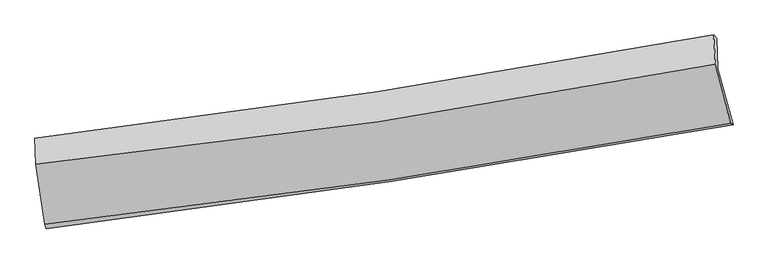
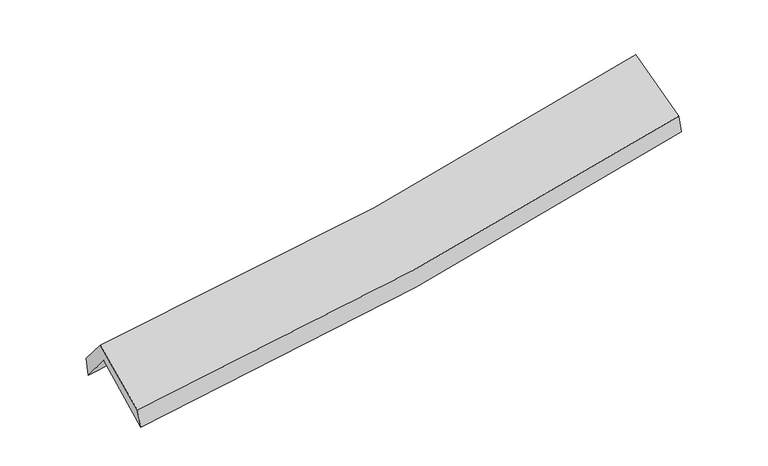
"""IFC4 building model written with IfcOpenShell, lengths in millimetres: proxy geometry."""

from ifc_helpers import new_model, si_unit, frame, origin, place, context, project, spatial, source, transform, mapped, element, save
from ifc_brep_helpers import plane_surface, spline_curve, spline_surface, advanced_brep


def generic_models_9ef300d3(model_context):
    return source(origin(), model_context, "Body", "AdvancedBrep", [
        advanced_brep(
        [(-2928.7517721, -2526.1566496, 1465.071295), (-3005.3692766, -2008.074786, 1894.2918224), (2927.2987449, -1129.6588099, 2416.3573349), (3061.5530656, -1618.1131638, 1980.2488233), (-3014.1307176, -1753.6292584, 1585.6045988), (2917.8689795, -863.4408741, 2095.6915389), (-3025.6000765, -1734.7183271, 1757.3415676), (2893.1187145, -836.0170692, 2270.9533579), (-3017.6613498, -1965.270985, 2037.0425336), (2906.5987834, -1092.4462692, 2541.3119665), (-2941.8074082, -2487.0899776, 1628.4122437), (3040.7609296, -1606.0422978, 2144.0955002)],
        [
            (0, 1),
            (1, 2, spline_curve(3, [(-3005.3692766, -2008.074786, 1894.2918224), (-2003.744858722, -1896.900292262, 1937.4527837), (-1006.607620445, -1767.751693523, 2002.797966438), (970.878015887, -1474.664485219, 2177.167712583), (1951.296784178, -1311.007759057, 2285.844367514), (2927.2987449, -1129.6588099, 2416.3573349)], [4, 2, 4], [0.0, 9.968657853462073, 19.85883900290208])),
            (2, 3),
            (3, 0, spline_curve(3, [(3061.5530656, -1618.1131638, 1980.2488233), (2075.827661633, -1795.033193904, 1848.923366983), (1085.762776991, -1958.91619461, 1740.408333513), (-910.936362864, -2261.805069841, 1568.31906192), (-1917.639757546, -2400.603231523, 1505.108252715), (-2928.7517721, -2526.1566496, 1465.071295)], [4, 2, 4], [0.0, 9.890181149440007, 19.85883900290208])),
            (1, 4),
            (4, 5, spline_curve(3, [(-3014.1307176, -1753.6292584, 1585.6045988), (-2013.803822143, -1633.57396022, 1629.653609423), (-1017.368915609, -1499.013703157, 1694.434942609), (959.903279711, -1202.0567649, 1864.789061872), (1940.801605528, -1039.887560255, 1970.036708632), (2917.8689795, -863.4408741, 2095.6915389)], [4, 2, 4], [0.0, 9.918641360796741, 19.75919976460826])),
            (5, 2),
            (4, 6),
            (6, 7, spline_curve(3, [(-3025.6000765, -1734.7183271, 1757.3415676), (-2027.335610848, -1616.034570417, 1804.647692073), (-1033.043351117, -1481.442350526, 1871.3472103), (939.80061776, -1181.62577643, 2042.855281677), (1918.414621369, -1016.650910701, 2147.359693233), (2893.1187145, -836.0170692, 2270.9533579)], [4, 2, 4], [0.0, 9.90870650620948, 19.73940826602682])),
            (7, 5),
            (6, 8),
            (8, 9, spline_curve(3, [(-3017.6613498, -1965.270985, 2037.0425336), (-2017.245186078, -1862.823219962, 2083.269996809), (-1021.415893008, -1738.490370791, 2148.647620931), (953.265550453, -1447.205581285, 2317.037758469), (1932.189634978, -1280.596858835, 2419.749945524), (2906.5987834, -1092.4462692, 2541.3119665)], [4, 2, 4], [0.0, 9.900430967409015, 19.722922336314266])),
            (9, 7),
            (8, 10),
            (10, 11, spline_curve(3, [(-2941.8074082, -2487.0899776, 1628.4122437), (-1932.128522436, -2375.618098848, 1680.392822223), (-926.788674375, -2246.100349612, 1749.59432067), (1067.332723434, -1952.13478117, 1921.758810521), (2056.182321404, -1787.969970886, 2024.451730726), (3040.7609296, -1606.0422978, 2144.0955002)], [4, 2, 4], [0.0, 9.950261914294316, 19.822191943728235])),
            (11, 9),
            (10, 0),
            (3, 11),
        ],
        [
            spline_surface(3, 3, [[(-2928.7517721, -2526.1566496, 1465.071295), (-1917.63975757, -2400.603231412, 1505.108252714), (-910.936363002, -2261.805069948, 1568.31906189), (1085.762777128, -1958.916194504, 1740.408333543), (2075.827661748, -1795.033194009, 1848.923367141), (3061.5530656, -1618.1131638, 1980.2488233)], [(-2954.290940267, -2353.462695057, 1608.144804122), (-1946.341457994, -2232.702251732, 1649.223096375), (-942.826782104, -2097.120611102, 1713.14536336), (1047.467856661, -1797.498958102, 1885.994793236), (2034.31736927, -1633.691382295, 1994.563700608), (3016.801625363, -1455.295045824, 2125.618327174)], [(-2979.830108433, -2180.768740543, 1751.218313278), (-1975.043158417, -2064.801272081, 1793.33794007), (-974.717201194, -1932.436152272, 1857.97166488), (1009.172936207, -1636.081721716, 2031.581252977), (1992.807076802, -1472.349570609, 2140.204034052), (2972.050185137, -1292.476927876, 2270.987831026)], [(-3005.3692766, -2008.074786, 1894.2918224), (-2003.744858841, -1896.9002924, 1937.452783731), (-1006.607620297, -1767.751693426, 2002.797966351), (970.87801574, -1474.664485315, 2177.167712669), (1951.296784325, -1311.007758895, 2285.844367519), (2927.2987449, -1129.6588099, 2416.3573349)]], [4, 4], [4, 2, 4], [0.0, 2.1765892627515657], [0.0, 9.968657853462073, 19.85883900290208]),
            spline_surface(3, 3, [[(-3005.3692766, -2008.074786, 1894.2918224), (-2003.744858841, -1896.9002924, 1937.452783731), (-1006.607620297, -1767.751693426, 2002.797966351), (970.87801574, -1474.664485315, 2177.167712669), (1951.296784325, -1311.007758895, 2285.844367519), (2927.2987449, -1129.6588099, 2416.3573349)], [(-3008.289756934, -1923.259610126, 1791.396081213), (-2007.097846598, -1809.124848346, 1834.853058958), (-1010.194718771, -1678.172363401, 1900.010291797), (967.2197704, -1383.795245142, 2073.041495715), (1947.798391436, -1220.634359333, 2180.57514785), (2924.15548977, -1040.919497946, 2309.468736224)], [(-3011.210237266, -1838.444434274, 1688.500339987), (-2010.450834352, -1721.349404313, 1732.253334146), (-1013.781817195, -1588.593033332, 1797.222617236), (963.56152511, -1292.926004924, 1968.915278755), (1944.299998536, -1130.260959831, 2075.305928209), (2921.01223463, -952.180186054, 2202.580137576)], [(-3014.1307176, -1753.6292584, 1585.6045988), (-2013.803822109, -1633.573960259, 1629.653609373), (-1017.368915668, -1499.013703307, 1694.434942681), (959.90327977, -1202.056764751, 1864.7890618), (1940.801605648, -1039.887560269, 1970.036708539), (2917.8689795, -863.4408741, 2095.6915389)]], [4, 4], [4, 2, 4], [0.0, 1.3515060359518833], [0.0, 9.918641360796741, 19.75919976460826]),
            spline_surface(3, 3, [[(-3014.1307176, -1753.6292584, 1585.6045988), (-2013.803822109, -1633.573960259, 1629.653609373), (-1017.368915668, -1499.013703307, 1694.434942681), (959.90327977, -1202.056764751, 1864.7890618), (1940.801605648, -1039.887560269, 1970.036708539), (2917.8689795, -863.4408741, 2095.6915389)], [(-3017.953837224, -1747.32561464, 1642.85025506), (-2018.314418394, -1627.727497001, 1687.984970278), (-1022.59372744, -1493.156585651, 1753.40569859), (953.202392423, -1195.246435329, 1924.144468394), (1933.339277548, -1032.1420104, 2029.144370162), (2909.61889116, -854.299605804, 2154.112145256)], [(-3021.776956876, -1741.02197086, 1700.09591134), (-2022.825014706, -1621.881033724, 1746.316331204), (-1027.818539262, -1487.299468061, 1812.376454494), (946.501505024, -1188.436105972, 1983.499874983), (1925.87694947, -1024.396460519, 2088.252031718), (2901.36880284, -845.158337496, 2212.532751544)], [(-3025.6000765, -1734.7183271, 1757.3415676), (-2027.335610991, -1616.034570467, 1804.64769211), (-1033.043351033, -1481.442350405, 1871.347210402), (939.800617677, -1181.62577655, 2042.855281577), (1918.41462137, -1016.65091065, 2147.359693341), (2893.1187145, -836.0170692, 2270.9533579)]], [4, 4], [4, 2, 4], [0.0, 0.5885499687017027], [0.0, 9.90870650620948, 19.73940826602682]),
            spline_surface(3, 3, [[(-3025.6000765, -1734.7183271, 1757.3415676), (-2027.335610991, -1616.034570467, 1804.64769211), (-1033.043351033, -1481.442350405, 1871.347210402), (939.800617677, -1181.62577655, 2042.855281577), (1918.41462137, -1016.65091065, 2147.359693341), (2893.1187145, -836.0170692, 2270.9533579)], [(-3022.953834258, -1811.56921309, 1850.575222938), (-2023.972135972, -1698.297453692, 1897.521793729), (-1029.167531655, -1567.125023886, 1963.780680585), (944.288928535, -1270.152378159, 2134.249440522), (1923.006292556, -1104.632893343, 2238.156444005), (2897.612070802, -921.493469211, 2361.072894083)], [(-3020.307592042, -1888.42009901, 1943.808878262), (-2020.608660979, -1780.560336846, 1990.395895335), (-1025.29171223, -1652.807697293, 2056.214150785), (948.77723944, -1358.678979693, 2225.643599486), (1927.597963736, -1192.614876002, 2328.95319472), (2902.105427098, -1006.969869189, 2451.192430317)], [(-3017.6613498, -1965.270985, 2037.0425336), (-2017.24518596, -1862.823220071, 2083.269996955), (-1021.415892852, -1738.490370774, 2148.647620968), (953.265550299, -1447.205581302, 2317.037758432), (1932.189634922, -1280.596858695, 2419.749945385), (2906.5987834, -1092.4462692, 2541.3119665)]], [4, 4], [4, 2, 4], [0.0, 1.2469977981032838], [0.0, 9.900430967409015, 19.722922336314266]),
            spline_surface(3, 3, [[(-3017.6613498, -1965.270985, 2037.0425336), (-2017.24518596, -1862.823220071, 2083.269996955), (-1021.415892852, -1738.490370774, 2148.647620968), (953.265550299, -1447.205581302, 2317.037758432), (1932.189634922, -1280.596858695, 2419.749945385), (2906.5987834, -1092.4462692, 2541.3119665)], [(-2992.376702616, -2139.21064918, 1900.832436978), (-1988.872964831, -2033.754846311, 1948.977605413), (-989.873486727, -1907.693697009, 2015.629854246), (991.287941391, -1615.515314636, 2185.27810909), (1973.52053042, -1449.721229369, 2287.983873847), (2951.319498791, -1263.644945386, 2408.90647775)], [(-2967.092055384, -2313.15031342, 1764.622340322), (-1960.500743655, -2204.686472609, 1814.685213839), (-958.331080623, -2076.897023242, 1882.612087516), (1029.310332463, -1783.825047969, 2053.51845974), (2014.851425947, -1618.845600086, 2156.217802261), (2996.040214209, -1434.843621614, 2276.50098895)], [(-2941.8074082, -2487.0899776, 1628.4122437), (-1932.128522526, -2375.618098848, 1680.392822297), (-926.788674498, -2246.100349477, 1749.594320794), (1067.332723556, -1952.134781303, 1921.758810398), (2056.182321445, -1787.96997076, 2024.451730723), (3040.7609296, -1606.0422978, 2144.0955002)]], [4, 4], [4, 2, 4], [0.0, 2.1387074501557564], [0.0, 9.950261914294316, 19.822191943728235]),
            spline_surface(3, 3, [[(-2941.8074082, -2487.0899776, 1628.4122437), (-1932.128522526, -2375.618098848, 1680.392822297), (-926.788674498, -2246.100349477, 1749.594320794), (1067.332723556, -1952.134781303, 1921.758810398), (2056.182321445, -1787.96997076, 2024.451730723), (3040.7609296, -1606.0422978, 2144.0955002)], [(-2937.455529501, -2500.112201607, 1573.965260789), (-1927.298934209, -2383.946476376, 1621.964632425), (-921.504570653, -2251.335256287, 1689.169234509), (1073.476074759, -1954.395252356, 1861.308651463), (2062.730768227, -1790.324378538, 1965.942276176), (3047.691641614, -1610.065919829, 2089.479941213)], [(-2933.103650799, -2513.134425593, 1519.518277911), (-1922.469345888, -2392.274853884, 1563.536442586), (-916.220466846, -2256.570163138, 1628.744148175), (1079.619425925, -1956.65572345, 1800.858492479), (2069.279214966, -1792.67878623, 1907.432821689), (3054.622353586, -1614.089541771, 2034.864382287)], [(-2928.7517721, -2526.1566496, 1465.071295), (-1917.63975757, -2400.603231412, 1505.108252714), (-910.936363002, -2261.805069948, 1568.31906189), (1085.762777128, -1958.916194504, 1740.408333543), (2075.827661748, -1795.033194009, 1848.923367141), (3061.5530656, -1618.1131638, 1980.2488233)]], [4, 4], [4, 2, 4], [0.0, 0.5986505734449054], [0.0, 10.008436155816245, 19.938082459129834]),
            plane_surface(frame((2957.8665363, -1190.9530807, 2241.443087), z_axis=(0.9791989431617087, 0.16933245004217418, 0.11178529005959435), x_axis=(0.2023579545096702, -0.7746614432501404, -0.5991251176409415))),
            plane_surface(frame((-2988.8867668, -2079.1566639, 1727.9606768), z_axis=(-0.9933366339429474, -0.10117015248687247, -0.05519902093948757), x_axis=(-0.0775024458325092, 0.23191230281859054, 0.9696442928679349))),
        ],
        [
            (0, [[1, 2, 3, 4]]),
            (1, [[5, 6, 7, -2]]),
            (2, [[8, 9, 10, -6]]),
            (3, [[11, 12, 13, -9]]),
            (4, [[14, 15, 16, -12]]),
            (5, [[17, -4, 18, -15]]),
            (6, [[-16, -18, -3, -7, -10, -13]]),
            (7, [[-17, -14, -11, -8, -5, -1]]),
        ],
    ),
    ])


if __name__ == "__main__":
    model = new_model("IFC4")
    model_context = context("Model", 3, world=origin())
    ifc_project = project(units=[si_unit("LENGTHUNIT", "METRE", prefix="MILLI")], contexts=[model_context])
    site = spatial("IfcSite", under=ifc_project)
    building = spatial("IfcBuilding", under=site)
    placement = place(None, origin())
    generic_models_shape = generic_models_9ef300d3(model_context)
    element("IfcBuildingElementProxy", 1, Name="Generic Models", at=placement, inside=building, context=model_context, shape_type="MappedRepresentation", body=[
        mapped(generic_models_shape, transform((0.0, 0.0, 0.0), x_axis=(1.0, 0.0, 0.0), y_axis=(0.0, 1.0, 0.0), z_axis=(0.0, 0.0, 1.0))),
    ])
    save(model, "model.ifc")
